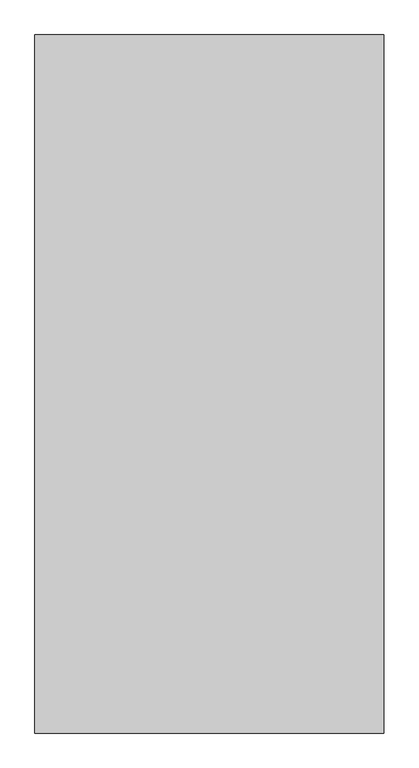
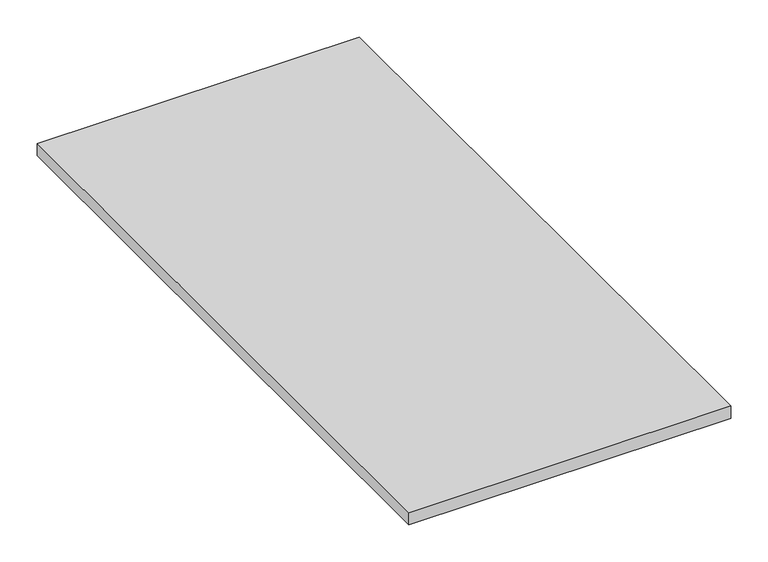
"""IFC4 building model written with IfcOpenShell, lengths in millimetres: proxy geometry."""

from ifc_helpers import new_model, si_unit, origin, origin_with_axes, place, context, project, spatial, polyline, outline, extrude, source, transform, mapped, element, save


def generic_models_f3380997(model_context):
    return source(origin(), model_context, "Body", "SweptSolid", [
        extrude(outline(polyline([(-16829.2833082, -4952.8374841), (-16829.2833082, -5952.8374841), (-17329.2833082, -5952.8374841), (-17329.2833082, -4952.8374841), (-16829.2833082, -4952.8374841)])), origin_with_axes(), (0.0, 0.0, 1.0), 20.0),
    ])


if __name__ == "__main__":
    model = new_model("IFC4")
    model_context = context("Model", 3, world=origin())
    ifc_project = project(units=[si_unit("LENGTHUNIT", "METRE", prefix="MILLI")], contexts=[model_context])
    site = spatial("IfcSite", under=ifc_project)
    building = spatial("IfcBuilding", under=site)
    placement = place(None, origin())
    generic_models_shape = generic_models_f3380997(model_context)
    element("IfcBuildingElementProxy", 1, Name="Generic Models", at=placement, inside=building, context=model_context, shape_type="MappedRepresentation", body=[
        mapped(generic_models_shape, transform((0.0, 0.0, 0.0), x_axis=(1.0, 0.0, 0.0), y_axis=(0.0, 1.0, 0.0), z_axis=(0.0, 0.0, 1.0))),
    ])
    save(model, "model.ifc")
